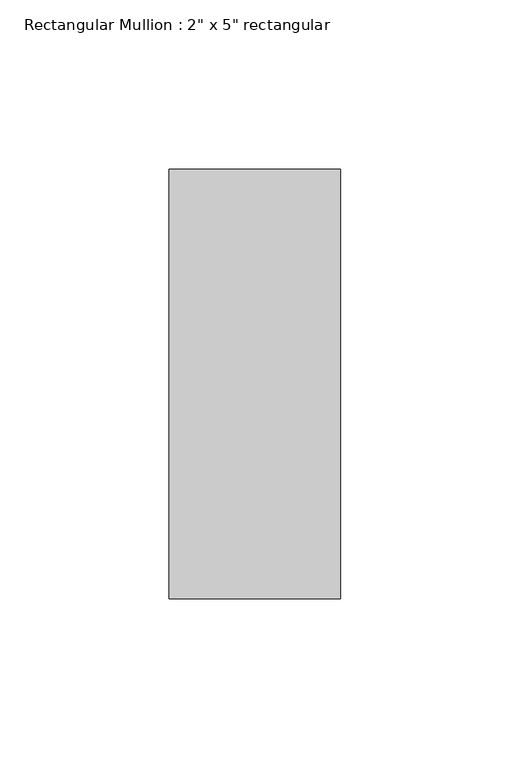
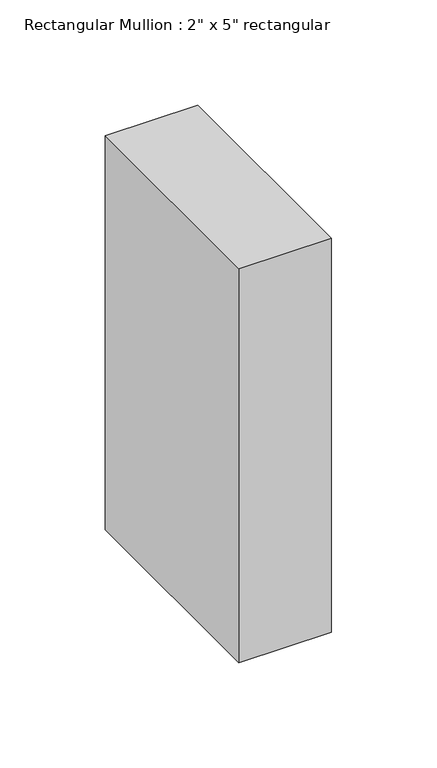
"""IFC4 building model written with IfcOpenShell, lengths in millimetres: member geometry."""

from ifc_helpers import new_model, si_unit, frame, origin, place, context, project, spatial, polyline, outline, extrude, source, transform, mapped, element, save


def member_d059214d(model_context):
    return source(origin(), model_context, "Body", "SweptSolid", [
        extrude(outline(polyline([(25.4, 63.5), (25.4, -63.5), (-25.4, -63.5), (-25.4, 63.5), (25.4, 63.5)])), frame((0.0, 0.0, -228.6), z_axis=(0.0, 0.0, 1.0), x_axis=(1.0, 0.0, 0.0)), (0.0, 0.0, 1.0), 228.6),
    ])


if __name__ == "__main__":
    model = new_model("IFC4")
    model_context = context("Model", 3, world=origin())
    ifc_project = project(units=[si_unit("LENGTHUNIT", "METRE", prefix="MILLI")], contexts=[model_context])
    site = spatial("IfcSite", under=ifc_project)
    building = spatial("IfcBuilding", under=site)
    placement = place(None, origin())
    member_shape = member_d059214d(model_context)
    element("IfcMember", 1, ObjectType="Rectangular Mullion : 2\" x 5\" rectangular", at=placement, inside=building, context=model_context, shape_type="MappedRepresentation", body=[
        mapped(member_shape, transform((0.0, 0.0, 0.0), x_axis=(1.0, 0.0, 0.0), y_axis=(0.0, 1.0, 0.0), z_axis=(0.0, 0.0, 1.0))),
    ])
    save(model, "model.ifc")
